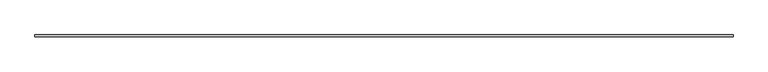
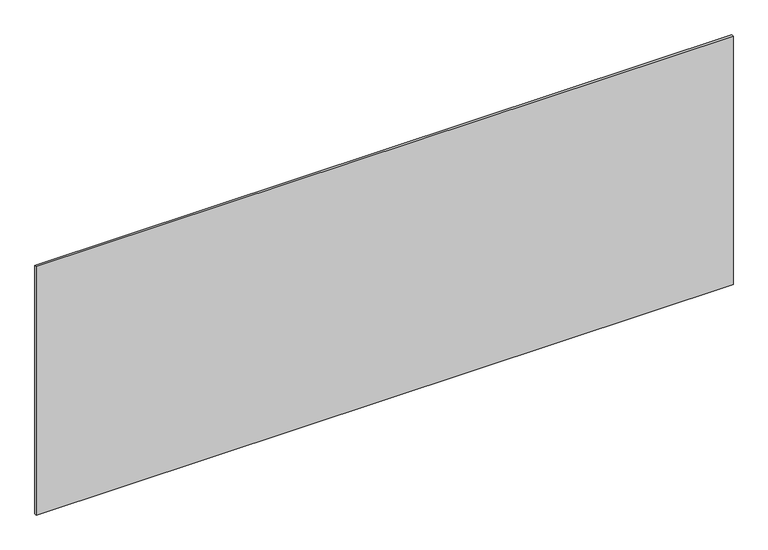
"""IFC4 building model written with IfcOpenShell, lengths in millimetres: plate geometry."""

from ifc_helpers import new_model, si_unit, origin, origin_with_axes, place, context, project, spatial, polyline, outline, extrude, source, transform, mapped, element, save


def plate_18a7995b(model_context):
    return source(origin(), model_context, "Body", "SweptSolid", [
        extrude(outline(polyline([(1697.5, -5.0), (-1697.5, -5.0), (-1697.5, 5.0), (1697.5, 5.0), (1697.5, -5.0)])), origin_with_axes(), (0.0, 0.0, 1.0), 1280.202493),
    ])


if __name__ == "__main__":
    model = new_model("IFC4")
    model_context = context("Model", 3, world=origin())
    ifc_project = project(units=[si_unit("LENGTHUNIT", "METRE", prefix="MILLI")], contexts=[model_context])
    site = spatial("IfcSite", under=ifc_project)
    building = spatial("IfcBuilding", under=site)
    placement = place(None, origin())
    plate_shape = plate_18a7995b(model_context)
    element("IfcPlate", 1, at=placement, inside=building, context=model_context, shape_type="MappedRepresentation", body=[
        mapped(plate_shape, transform((0.0, 0.0, 0.0), x_axis=(1.0, 0.0, 0.0), y_axis=(0.0, 1.0, 0.0), z_axis=(0.0, 0.0, 1.0))),
    ])
    save(model, "model.ifc")
